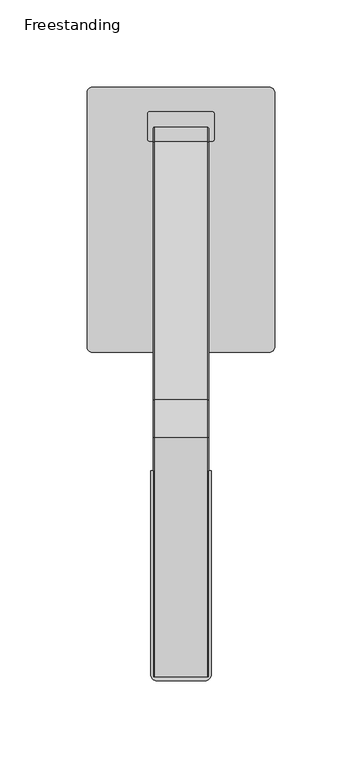
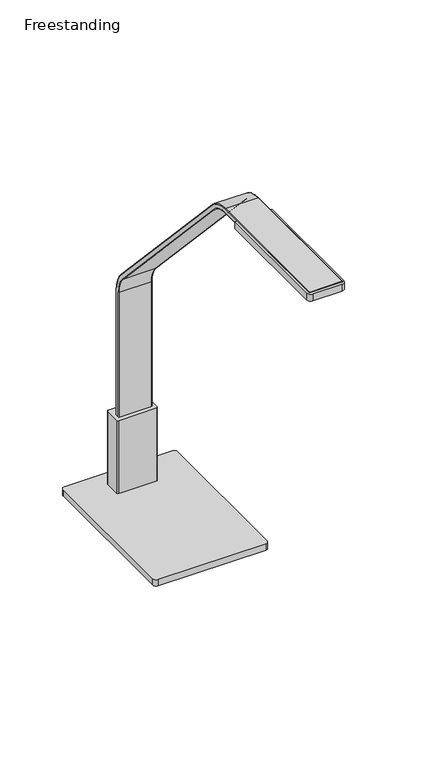
"""IFC4 building model written with IfcOpenShell, lengths in millimetres: furniture geometry, Freestanding."""

from ifc_helpers import new_model, si_unit, point, frame, frame_2d, origin, place, context, project, spatial, polyline, circle_curve, ellipse_curve, trimmed, segment, composite_curve, outline, extrude, source, transform, mapped, element, save
from ifc_brep_helpers import plane_surface, cylinder_surface, revolved_surface, advanced_brep


def freestanding_bec42570(model_context):
    return source(origin(), model_context, "Body", "SolidModel", [
        extrude(outline(composite_curve([segment(trimmed(circle_curve(frame_2d((-41.2113861, 31.553418)), 6.35), [point((-47.5613861, 31.553418))], [point((-34.8613861, 31.553418))], False, "CARTESIAN"), True, "CONTINUOUS"), segment(trimmed(circle_curve(frame_2d((-41.2113861, 31.553418)), 6.35), [point((-34.8613861, 31.553418))], [point((-47.5613861, 31.553418))], False, "CARTESIAN"), True, "CONTINUOUS")], self_intersect=False)), frame((0.0, 0.0, 723.9), z_axis=(0.0, 0.0, 1.0), x_axis=(1.0, 0.0, 0.0)), (0.0, 0.0, 1.0), 4.7497828),
        extrude(outline(composite_curve([segment(trimmed(circle_curve(frame_2d((41.2113861, 31.553418)), 6.35), [point((47.5613861, 31.553418))], [point((34.8613861, 31.553418))], False, "CARTESIAN"), True, "CONTINUOUS"), segment(trimmed(circle_curve(frame_2d((41.2113861, 31.553418)), 6.35), [point((34.8613861, 31.553418))], [point((47.5613861, 31.553418))], False, "CARTESIAN"), True, "CONTINUOUS")], self_intersect=False)), frame((0.0, 0.0, 723.9), z_axis=(0.0, 0.0, 1.0), x_axis=(1.0, 0.0, 0.0)), (0.0, 0.0, 1.0), 4.7497828),
        extrude(outline(composite_curve([segment(trimmed(circle_curve(frame_2d((-41.2113861, -94.7478165)), 6.35), [point((-47.5613861, -94.7478165))], [point((-34.8613861, -94.7478165))], False, "CARTESIAN"), True, "CONTINUOUS"), segment(trimmed(circle_curve(frame_2d((-41.2113861, -94.7478165)), 6.35), [point((-34.8613861, -94.7478165))], [point((-47.5613861, -94.7478165))], False, "CARTESIAN"), True, "CONTINUOUS")], self_intersect=False)), frame((0.0, 0.0, 723.9), z_axis=(0.0, 0.0, 1.0), x_axis=(1.0, 0.0, 0.0)), (0.0, 0.0, 1.0), 4.7497828),
        extrude(outline(composite_curve([segment(trimmed(circle_curve(frame_2d((41.2113861, -94.7478165)), 6.35), [point((47.5613861, -94.7478165))], [point((34.8613861, -94.7478165))], False, "CARTESIAN"), True, "CONTINUOUS"), segment(trimmed(circle_curve(frame_2d((41.2113861, -94.7478165)), 6.35), [point((34.8613861, -94.7478165))], [point((47.5613861, -94.7478165))], False, "CARTESIAN"), True, "CONTINUOUS")], self_intersect=False)), frame((0.0, 0.0, 723.9), z_axis=(0.0, 0.0, 1.0), x_axis=(1.0, 0.0, 0.0)), (0.0, 0.0, 1.0), 4.7497828),
        extrude(outline(composite_curve([segment(polyline([(-53.9751938, -104.6222477), (-53.9751938, 41.4278492)]), True, "CONTINUOUS"), segment(trimmed(circle_curve(frame_2d((-50.8000969, 41.4278492)), 3.1750969), [point((-53.9751938, 41.4278492))], [point((-50.8000969, 44.6029461))], False, "CARTESIAN"), True, "CONTINUOUS"), segment(polyline([(-50.8000969, 44.6029461), (50.7995155, 44.6029461)]), True, "CONTINUOUS"), segment(trimmed(circle_curve(frame_2d((50.7995155, 41.4278492)), 3.1750969), [point((50.7995155, 44.6029461))], [point((53.9746124, 41.4278492))], False, "CARTESIAN"), True, "CONTINUOUS"), segment(polyline([(53.9746124, 41.4278492), (53.9746124, -104.6222477)]), True, "CONTINUOUS"), segment(trimmed(circle_curve(frame_2d((50.7998062, -104.6222477)), 3.1748062), [point((53.9746124, -104.6222477))], [point((50.7998062, -107.7970539))], False, "CARTESIAN"), True, "CONTINUOUS"), segment(polyline([(50.7998062, -107.7970539), (-50.8003876, -107.7970539)]), True, "CONTINUOUS"), segment(trimmed(circle_curve(frame_2d((-50.8003876, -104.6222477)), 3.1748062), [point((-50.8003876, -107.7970539))], [point((-53.9751938, -104.6222477))], False, "CARTESIAN"), True, "CONTINUOUS")], self_intersect=False)), frame((0.0, 0.0, 728.6497828), z_axis=(0.0, 0.0, 1.0), x_axis=(1.0, 0.0, 0.0)), (0.0, 0.0, 1.0), 6.3500484),
        extrude(outline(composite_curve([segment(trimmed(circle_curve(frame_2d((18.034, 29.4391905)), 1.016), [point((18.034, 30.4551905))], [point((19.05, 29.4391905))], False, "CARTESIAN"), True, "CONTINUOUS"), segment(polyline([(19.05, 29.4391905), (19.05, 14.5802157)]), True, "CONTINUOUS"), segment(trimmed(circle_curve(frame_2d((18.034, 14.5802157)), 1.016), [point((19.05, 14.5802157))], [point((18.034, 13.5642157))], False, "CARTESIAN"), True, "CONTINUOUS"), segment(polyline([(18.034, 13.5642157), (-18.034, 13.5642157)]), True, "CONTINUOUS"), segment(trimmed(circle_curve(frame_2d((-18.034, 14.5802157)), 1.016), [point((-18.034, 13.5642157))], [point((-19.05, 14.5802157))], False, "CARTESIAN"), True, "CONTINUOUS"), segment(polyline([(-19.05, 14.5802157), (-19.05, 29.4391905)]), True, "CONTINUOUS"), segment(trimmed(circle_curve(frame_2d((-18.034, 29.4391905)), 1.016), [point((-19.05, 29.4391905))], [point((-18.034, 30.4551905))], False, "CARTESIAN"), True, "CONTINUOUS"), segment(polyline([(-18.034, 30.4551905), (18.034, 30.4551905)]), True, "CONTINUOUS")], self_intersect=False)), frame((0.0, 0.0, 734.9998312), z_axis=(0.0, 0.0, 1.0), x_axis=(1.0, 0.0, 0.0)), (0.0, 0.0, 1.0), 73.0249688),
        extrude(outline(composite_curve([segment(polyline([(17.4750961, -176.0056678), (17.4750961, -292.8456678)]), True, "CONTINUOUS"), segment(trimmed(circle_curve(frame_2d((13.6650961, -292.8456678)), 3.81), [point((17.4750961, -292.8456678))], [point((13.6650961, -296.6556678))], False, "CARTESIAN"), True, "CONTINUOUS"), segment(polyline([(13.6650961, -296.6556678), (-13.6525, -296.6556678)]), True, "CONTINUOUS"), segment(trimmed(circle_curve(frame_2d((-13.6525, -292.8456678)), 3.81), [point((-13.6525, -296.6556678))], [point((-17.4625, -292.8456678))], False, "CARTESIAN"), True, "CONTINUOUS"), segment(polyline([(-17.4625, -292.8456678), (-17.4625, -176.0056678), (17.4750961, -176.0056678)]), True, "CONTINUOUS")], self_intersect=False)), frame((0.0, 0.0, 1113.9423787), z_axis=(0.0, 0.0, 1.0), x_axis=(1.0, 0.0, 0.0)), (0.0, 0.0, 1.0), 6.858),
        advanced_brep(
        [(-15.113, 21.5351681, 740.8420386), (15.113, 21.5351681, 740.8420386), (15.875, 20.7731681, 740.8420386), (15.875, 17.7251361, 740.8420386), (15.113, 16.9631361, 740.8420386), (-15.113, 16.9631361, 740.8420386), (-15.875, 17.7251361, 740.8420386), (-15.875, 20.7731681, 740.8420386), (-15.113, 21.5351681, 932.6306879), (15.113, 21.5351681, 932.6306879), (15.875, 20.7731681, 932.6306879), (15.875, 12.9261453, 952.5517272), (15.875, -135.4226637, 1111.6386569), (15.875, -156.7856729, 1120.9276496), (15.875, -294.313864, 1120.9276496), (15.875, -294.313864, 1117.8796176), (15.875, -156.7856729, 1117.8796176), (15.875, -137.6518682, 1109.5599202), (15.875, 10.6969408, 950.4729905), (15.875, 17.7251361, 932.6306879), (15.113, 16.9631361, 932.6306879), (-15.113, 16.9631361, 932.6306879), (-15.875, 17.7251361, 932.6306879), (-15.875, 10.6969408, 950.4729905), (-15.875, -137.6518682, 1109.5599202), (-15.875, -156.7856729, 1117.8796176), (-15.875, -294.313864, 1117.8796176), (-15.875, -294.313864, 1120.9276496), (-15.875, -156.7856729, 1120.9276496), (-15.875, -135.4226637, 1111.6386569), (-15.875, 12.9261453, 952.5517272), (-15.875, 20.7731681, 932.6306879), (15.113, 13.4834406, 953.0714059), (-15.113, 13.4834406, 953.0714059), (15.113, 10.1396455, 949.9533118), (-15.113, 10.1396455, 949.9533118), (-15.113, -134.8653684, 1112.1583356), (15.113, -134.8653684, 1112.1583356), (15.113, -138.2091635, 1109.0402415), (-15.113, -138.2091635, 1109.0402415), (15.113, -156.7856729, 1121.6896496), (-15.113, -156.7856729, 1121.6896496), (15.113, -156.7856729, 1117.1176176), (-15.113, -156.7856729, 1117.1176176), (-15.113, -294.313864, 1121.6896496), (-15.113, -294.313864, 1117.1176176), (15.113, -294.313864, 1117.1176176), (15.113, -294.313864, 1121.6896496)],
        [
            (0, 1),
            (1, 2, circle_curve(frame((15.113, 20.7731681, 740.8420386), z_axis=(0.0, 0.0, -1.0), x_axis=(0.0, -1.0, 0.0)), 0.762)),
            (2, 3),
            (3, 4, circle_curve(frame((15.113, 17.7251361, 740.8420386), z_axis=(0.0, 0.0, -1.0), x_axis=(0.0, -1.0, 0.0)), 0.762)),
            (4, 5),
            (5, 6, circle_curve(frame((-15.113, 17.7251361, 740.8420386), z_axis=(0.0, 0.0, -1.0), x_axis=(0.0, -1.0, 0.0)), 0.762)),
            (6, 7),
            (7, 0, circle_curve(frame((-15.113, 20.7731681, 740.8420386), z_axis=(0.0, 0.0, -1.0), x_axis=(0.0, -1.0, 0.0)), 0.762)),
            (0, 8),
            (8, 9),
            (9, 1),
            (9, 10, circle_curve(frame((15.113, 20.7731681, 932.6306879), z_axis=(0.0, 0.0, -1.0), x_axis=(0.0, -1.0, 0.0)), 0.762)),
            (10, 2),
            (10, 11, circle_curve(frame((15.875, -8.4368639, 932.6306879), z_axis=(1.0, 0.0, 0.0), x_axis=(0.0, 1.0, 0.0)), 29.210032)),
            (11, 12),
            (12, 13, circle_curve(frame((15.875, -156.7856729, 1091.7176176), z_axis=(1.0, 0.0, 0.0), x_axis=(0.0, 0.7313586383957666, 0.6819930659793325)), 29.210032)),
            (13, 14),
            (14, 15),
            (15, 16),
            (16, 17, circle_curve(frame((15.875, -156.7856729, 1091.7176176), z_axis=(-1.0, 0.0, 0.0), x_axis=(0.0, 0.7313586383957666, 0.6819930659793325)), 26.162)),
            (17, 18),
            (18, 19, circle_curve(frame((15.875, -8.4368639, 932.6306879), z_axis=(-1.0, 0.0, 0.0), x_axis=(0.0, 1.0, 0.0)), 26.162)),
            (19, 3),
            (19, 20, circle_curve(frame((15.113, 17.7251361, 932.6306879), z_axis=(0.0, 0.0, -1.0), x_axis=(0.0, -1.0, 0.0)), 0.762)),
            (20, 4),
            (20, 21),
            (21, 5),
            (21, 22, circle_curve(frame((-15.113, 17.7251361, 932.6306879), z_axis=(0.0, 0.0, -1.0), x_axis=(0.0, -1.0, 0.0)), 0.762)),
            (22, 6),
            (22, 23, circle_curve(frame((-15.875, -8.4368639, 932.6306879), z_axis=(1.0, 0.0, 0.0), x_axis=(0.0, 1.0, 0.0)), 26.162)),
            (23, 24),
            (24, 25, circle_curve(frame((-15.875, -156.7856729, 1091.7176176), z_axis=(1.0, 0.0, 0.0), x_axis=(0.0, 0.7313586383957666, 0.6819930659793325)), 26.162)),
            (25, 26),
            (26, 27),
            (27, 28),
            (28, 29, circle_curve(frame((-15.875, -156.7856729, 1091.7176176), z_axis=(-1.0, 0.0, 0.0), x_axis=(0.0, 0.7313586383957666, 0.6819930659793325)), 29.210032)),
            (29, 30),
            (30, 31, circle_curve(frame((-15.875, -8.4368639, 932.6306879), z_axis=(-1.0, 0.0, 0.0), x_axis=(0.0, 1.0, 0.0)), 29.210032)),
            (31, 7),
            (31, 8, circle_curve(frame((-15.113, 20.7731681, 932.6306879), z_axis=(0.0, 0.0, -1.0), x_axis=(0.0, -1.0, 0.0)), 0.762)),
            (32, 9, circle_curve(frame((15.113, -8.4368639, 932.6306879), z_axis=(-1.0, 0.0, 0.0), x_axis=(0.0, 1.0, 0.0)), 29.972032)),
            (8, 33, circle_curve(frame((-15.113, -8.4368639, 932.6306879), z_axis=(1.0, 0.0, 0.0), x_axis=(0.0, 1.0, 0.0)), 29.972032)),
            (33, 32),
            (32, 11, circle_curve(frame((15.113, 12.9261453, 952.5517272), z_axis=(0.0, 0.6819930659793713, -0.7313586383957306), x_axis=(0.0, -0.7313586383957306, -0.6819930659793713)), 0.762)),
            (34, 20, circle_curve(frame((15.113, -8.4368639, 932.6306879), z_axis=(-1.0, 0.0, 0.0), x_axis=(0.0, 1.0, 0.0)), 25.4)),
            (18, 34, circle_curve(frame((15.113, 10.6969408, 950.4729905), z_axis=(0.0, 0.6819930659793713, -0.7313586383957306), x_axis=(0.0, -0.7313586383957306, -0.6819930659793713)), 0.762)),
            (35, 21, circle_curve(frame((-15.113, -8.4368639, 932.6306879), z_axis=(-1.0, 0.0, 0.0), x_axis=(0.0, 1.0, 0.0)), 25.4)),
            (34, 35),
            (35, 23, circle_curve(frame((-15.113, 10.6969408, 950.4729905), z_axis=(0.0, 0.6819930659793686, -0.731358638395733), x_axis=(0.0, -0.731358638395733, -0.6819930659793686)), 0.762)),
            (30, 33, circle_curve(frame((-15.113, 12.9261453, 952.5517272), z_axis=(0.0, 0.6819930659793715, -0.7313586383957303), x_axis=(0.0, -0.7313586383957303, -0.6819930659793715)), 0.762)),
            (33, 36),
            (36, 37),
            (37, 32),
            (37, 12, circle_curve(frame((15.113, -135.4226637, 1111.6386569), z_axis=(0.0, 0.6819930659793657, -0.7313586383957357), x_axis=(0.0, -0.7313586383957357, -0.6819930659793657)), 0.762)),
            (17, 38, circle_curve(frame((15.113, -137.6518682, 1109.5599202), z_axis=(0.0, 0.6819930659793657, -0.7313586383957357), x_axis=(0.0, -0.7313586383957357, -0.6819930659793657)), 0.762)),
            (38, 34),
            (38, 39),
            (39, 35),
            (39, 24, circle_curve(frame((-15.113, -137.6518682, 1109.5599202), z_axis=(0.0, 0.6819930659793657, -0.7313586383957357), x_axis=(0.0, -0.7313586383957357, -0.6819930659793657)), 0.762)),
            (29, 36, circle_curve(frame((-15.113, -135.4226637, 1111.6386569), z_axis=(0.0, 0.6819930659793657, -0.7313586383957357), x_axis=(0.0, -0.7313586383957357, -0.6819930659793657)), 0.762)),
            (40, 37, circle_curve(frame((15.113, -156.7856729, 1091.7176176), z_axis=(-1.0, 0.0, 0.0), x_axis=(0.0, 0.7313586383957666, 0.6819930659793325)), 29.972032)),
            (36, 41, circle_curve(frame((-15.113, -156.7856729, 1091.7176176), z_axis=(1.0, 0.0, 0.0), x_axis=(0.0, 0.7313586383957666, 0.6819930659793325)), 29.972032)),
            (41, 40),
            (40, 13, circle_curve(frame((15.113, -156.7856729, 1120.9276496), z_axis=(0.0, 1.0, 0.0), x_axis=(0.0, 0.0, -1.0)), 0.762)),
            (42, 38, circle_curve(frame((15.113, -156.7856729, 1091.7176176), z_axis=(-1.0, 0.0, 0.0), x_axis=(0.0, 0.7313586383957666, 0.6819930659793325)), 25.4)),
            (16, 42, circle_curve(frame((15.113, -156.7856729, 1117.8796176), z_axis=(0.0, 1.0, 0.0), x_axis=(0.0, 0.0, -1.0)), 0.762)),
            (43, 39, circle_curve(frame((-15.113, -156.7856729, 1091.7176176), z_axis=(-1.0, 0.0, 0.0), x_axis=(0.0, 0.7313586383957666, 0.6819930659793325)), 25.4)),
            (42, 43),
            (43, 25, circle_curve(frame((-15.113, -156.7856729, 1117.8796176), z_axis=(0.0, 1.0, 0.0), x_axis=(0.0, 0.0, -1.0)), 0.762)),
            (28, 41, circle_curve(frame((-15.113, -156.7856729, 1120.9276496), z_axis=(0.0, 1.0, 0.0), x_axis=(0.0, 0.0, -1.0)), 0.762)),
            (44, 27, circle_curve(frame((-15.113, -294.313864, 1120.9276496), z_axis=(0.0, -1.0, 0.0), x_axis=(0.0, 0.0, -1.0)), 0.762)),
            (26, 45, circle_curve(frame((-15.113, -294.313864, 1117.8796176), z_axis=(0.0, -1.0, 0.0), x_axis=(0.0, 0.0, -1.0)), 0.762)),
            (45, 46),
            (46, 15, circle_curve(frame((15.113, -294.313864, 1117.8796176), z_axis=(0.0, -1.0, 0.0), x_axis=(0.0, 0.0, -1.0)), 0.762)),
            (14, 47, circle_curve(frame((15.113, -294.313864, 1120.9276496), z_axis=(0.0, -1.0, 0.0), x_axis=(0.0, 0.0, -1.0)), 0.762)),
            (47, 44),
            (41, 44),
            (47, 40),
            (46, 42),
            (45, 43),
        ],
        [
            plane_surface(frame((0.0, 16.9631361, 740.8420386), z_axis=(0.0, 0.0, -1.0), x_axis=(1.0, 0.0, 0.0))),
            plane_surface(frame((-15.113, 21.5351681, 740.8420386), z_axis=(0.0, 1.0, 0.0), x_axis=(0.0, 0.0, 1.0))),
            cylinder_surface(frame((15.113, 20.7731681, 740.8420386), z_axis=(0.0, 0.0, -1.0), x_axis=(0.0, -1.0, 0.0)), 0.762),
            plane_surface(frame((15.875, 20.7731681, 740.8420386), z_axis=(1.0, 0.0, 0.0), x_axis=(0.0, 0.0, 1.0))),
            cylinder_surface(frame((15.113, 17.7251361, 740.8420386), z_axis=(0.0, 0.0, -1.0), x_axis=(0.0, -1.0, 0.0)), 0.762),
            plane_surface(frame((15.113, 16.9631361, 740.8420386), z_axis=(0.0, -1.0, 0.0), x_axis=(0.0, 0.0, 1.0))),
            cylinder_surface(frame((-15.113, 17.7251361, 740.8420386), z_axis=(0.0, 0.0, -1.0), x_axis=(0.0, -1.0, 0.0)), 0.762),
            plane_surface(frame((-15.875, 17.7251361, 740.8420386), z_axis=(-1.0, 0.0, 0.0), x_axis=(0.0, 0.0, 1.0))),
            cylinder_surface(frame((-15.113, 20.7731681, 740.8420386), z_axis=(0.0, 0.0, -1.0), x_axis=(0.0, -1.0, 0.0)), 0.762),
            cylinder_surface(frame((0.0, -8.4368639, 932.6306879), z_axis=(1.0, 0.0, 0.0), x_axis=(0.0, 1.0, 0.0)), 29.972032),
            revolved_surface(trimmed(ellipse_curve(frame((15.113, 20.7731681, 932.6306879), z_axis=(0.0, 0.0, -1.0), x_axis=(0.0, -1.0, 0.0)), 0.762, 0.762), [point((15.113, 21.5351681, 932.6306879))], [point((15.875, 20.7731681, 932.6306879))], True, "CARTESIAN"), (0.0, -8.4368639, 932.6306879), (1.0, 0.0, 0.0)),
            revolved_surface(trimmed(ellipse_curve(frame((15.113, 17.7251361, 932.6306879), z_axis=(0.0, 0.0, -1.0), x_axis=(0.0, -1.0, 0.0)), 0.762, 0.762), [point((15.875, 17.7251361, 932.6306879))], [point((15.113, 16.9631361, 932.6306879))], True, "CARTESIAN"), (0.0, -8.4368639, 932.6306879), (1.0, 0.0, 0.0)),
            revolved_surface(polyline([(15.113, 16.9631361, 932.6306879), (-15.113, 16.9631361, 932.6306879)]), (0.0, -8.4368639, 932.6306879), (1.0, 0.0, 0.0)),
            revolved_surface(trimmed(ellipse_curve(frame((-15.113, 17.7251361, 932.6306879), z_axis=(0.0, 0.0, -1.0), x_axis=(0.0, -1.0, 0.0)), 0.762, 0.762), [point((-15.113, 16.9631361, 932.6306879))], [point((-15.875, 17.7251361, 932.6306879))], True, "CARTESIAN"), (0.0, -8.4368639, 932.6306879), (1.0, 0.0, 0.0)),
            revolved_surface(trimmed(ellipse_curve(frame((-15.113, 20.7731681, 932.6306879), z_axis=(0.0, 0.0, -1.0), x_axis=(0.0, -1.0, 0.0)), 0.762, 0.762), [point((-15.875, 20.7731681, 932.6306879))], [point((-15.113, 21.5351681, 932.6306879))], True, "CARTESIAN"), (0.0, -8.4368639, 932.6306879), (1.0, 0.0, 0.0)),
            plane_surface(frame((-15.113, 13.4834406, 953.0714059), z_axis=(0.0, 0.7313586383957357, 0.6819930659793657), x_axis=(0.0, -0.6819930659793657, 0.7313586383957357))),
            cylinder_surface(frame((15.113, 12.9261453, 952.5517272), z_axis=(0.0, 0.6819930659793657, -0.7313586383957357), x_axis=(0.0, -0.7313586383957357, -0.6819930659793657)), 0.762),
            cylinder_surface(frame((15.113, 10.6969408, 950.4729905), z_axis=(0.0, 0.6819930659793657, -0.7313586383957357), x_axis=(0.0, -0.7313586383957357, -0.6819930659793657)), 0.762),
            plane_surface(frame((15.113, 10.1396455, 949.9533118), z_axis=(0.0, -0.731358638395736, -0.6819930659793655), x_axis=(0.0, -0.6819930659793655, 0.731358638395736))),
            cylinder_surface(frame((-15.113, 10.6969408, 950.4729905), z_axis=(0.0, 0.6819930659793657, -0.7313586383957357), x_axis=(0.0, -0.7313586383957357, -0.6819930659793657)), 0.762),
            cylinder_surface(frame((-15.113, 12.9261453, 952.5517272), z_axis=(0.0, 0.6819930659793657, -0.7313586383957357), x_axis=(0.0, -0.7313586383957357, -0.6819930659793657)), 0.762),
            cylinder_surface(frame((0.0, -156.7856729, 1091.7176176), z_axis=(1.0, 0.0, 0.0), x_axis=(0.0, 0.7313586383957666, 0.6819930659793325)), 29.972032),
            revolved_surface(trimmed(ellipse_curve(frame((15.113, -135.4226637, 1111.6386569), z_axis=(0.0, 0.6819930659793326, -0.7313586383957665), x_axis=(0.0, -0.7313586383957665, -0.6819930659793326)), 0.762, 0.762), [point((15.113, -134.8653684, 1112.1583356))], [point((15.875, -135.4226637, 1111.6386569))], True, "CARTESIAN"), (0.0, -156.7856729, 1091.7176176), (1.0, 0.0, 0.0)),
            revolved_surface(trimmed(ellipse_curve(frame((15.113, -137.6518682, 1109.5599202), z_axis=(0.0, 0.6819930659793326, -0.7313586383957665), x_axis=(0.0, -0.7313586383957665, -0.6819930659793326)), 0.762, 0.762), [point((15.875, -137.6518682, 1109.5599202))], [point((15.113, -138.2091635, 1109.0402415))], True, "CARTESIAN"), (0.0, -156.7856729, 1091.7176176), (1.0, 0.0, 0.0)),
            revolved_surface(polyline([(15.113, -138.20916348474753, 1109.040241475875), (-15.113, -138.20916348474753, 1109.040241475875)]), (0.0, -156.7856729, 1091.7176176), (1.0, 0.0, 0.0)),
            revolved_surface(trimmed(ellipse_curve(frame((-15.113, -137.6518682, 1109.5599202), z_axis=(0.0, 0.6819930659793326, -0.7313586383957665), x_axis=(0.0, -0.7313586383957665, -0.6819930659793326)), 0.762, 0.762), [point((-15.113, -138.2091635, 1109.0402415))], [point((-15.875, -137.6518682, 1109.5599202))], True, "CARTESIAN"), (0.0, -156.7856729, 1091.7176176), (1.0, 0.0, 0.0)),
            revolved_surface(trimmed(ellipse_curve(frame((-15.113, -135.4226637, 1111.6386569), z_axis=(0.0, 0.6819930659793326, -0.7313586383957665), x_axis=(0.0, -0.7313586383957665, -0.6819930659793326)), 0.762, 0.762), [point((-15.875, -135.4226637, 1111.6386569))], [point((-15.113, -134.8653684, 1112.1583356))], True, "CARTESIAN"), (0.0, -156.7856729, 1091.7176176), (1.0, 0.0, 0.0)),
            plane_surface(frame((0.0, -294.313864, 1117.1176176), z_axis=(0.0, -1.0, 0.0), x_axis=(1.0, 0.0, 0.0))),
            plane_surface(frame((-15.113, -156.7856729, 1121.6896496), z_axis=(0.0, 0.0, 1.0), x_axis=(0.0, -1.0, 0.0))),
            cylinder_surface(frame((15.113, -156.7856729, 1120.9276496), z_axis=(0.0, 1.0, 0.0), x_axis=(0.0, 0.0, -1.0)), 0.762),
            cylinder_surface(frame((15.113, -156.7856729, 1117.8796176), z_axis=(0.0, 1.0, 0.0), x_axis=(0.0, 0.0, -1.0)), 0.762),
            plane_surface(frame((15.113, -156.7856729, 1117.1176176), z_axis=(0.0, 0.0, -1.0), x_axis=(0.0, -1.0, 0.0))),
            cylinder_surface(frame((-15.113, -156.7856729, 1117.8796176), z_axis=(0.0, 1.0, 0.0), x_axis=(0.0, 0.0, -1.0)), 0.762),
            cylinder_surface(frame((-15.113, -156.7856729, 1120.9276496), z_axis=(0.0, 1.0, 0.0), x_axis=(0.0, 0.0, -1.0)), 0.762),
        ],
        [
            (0, [[1, 2, 3, 4, 5, 6, 7, 8]]),
            (1, [[-1, 9, 10, 11]]),
            (2, [[-2, -11, 12, 13]]),
            (3, [[-3, -13, 14, 15, 16, 17, 18, 19, 20, 21, 22, 23]]),
            (4, [[-4, -23, 24, 25]]),
            (5, [[-5, -25, 26, 27]]),
            (6, [[-6, -27, 28, 29]]),
            (7, [[-7, -29, 30, 31, 32, 33, 34, 35, 36, 37, 38, 39]]),
            (8, [[-8, -39, 40, -9]]),
            (9, [[41, -10, 42, 43]]),
            (10, [[-14, -12, -41, 44]]),
            (11, [[45, -24, -22, 46]]),
            (12, [[47, -26, -45, 48]]),
            (13, [[-30, -28, -47, 49]]),
            (14, [[-42, -40, -38, 50]]),
            (15, [[-43, 51, 52, 53]]),
            (16, [[-44, -53, 54, -15]]),
            (17, [[-46, -21, 55, 56]]),
            (18, [[-48, -56, 57, 58]]),
            (19, [[-49, -58, 59, -31]]),
            (20, [[-50, -37, 60, -51]]),
            (21, [[61, -52, 62, 63]]),
            (22, [[-16, -54, -61, 64]]),
            (23, [[65, -55, -20, 66]]),
            (24, [[67, -57, -65, 68]]),
            (25, [[-32, -59, -67, 69]]),
            (26, [[-62, -60, -36, 70]]),
            (27, [[71, -34, 72, 73, 74, -18, 75, 76]]),
            (28, [[-63, 77, -76, 78]]),
            (29, [[-64, -78, -75, -17]]),
            (30, [[-66, -19, -74, 79]]),
            (31, [[-68, -79, -73, 80]]),
            (32, [[-69, -80, -72, -33]]),
            (33, [[-70, -35, -71, -77]]),
        ],
    ),
    ])


if __name__ == "__main__":
    model = new_model("IFC4")
    model_context = context("Model", 3, world=origin())
    ifc_project = project(units=[si_unit("LENGTHUNIT", "METRE", prefix="MILLI")], contexts=[model_context])
    site = spatial("IfcSite", under=ifc_project)
    building = spatial("IfcBuilding", under=site)
    placement = place(None, origin())
    freestanding_shape = freestanding_bec42570(model_context)
    element("IfcFurniture", 1, ObjectType="Freestanding", at=placement, inside=building, context=model_context, shape_type="MappedRepresentation", body=[
        mapped(freestanding_shape, transform((0.0, 0.0, 0.0), x_axis=(1.0, 0.0, 0.0), y_axis=(0.0, 1.0, 0.0), z_axis=(0.0, 0.0, 1.0))),
    ])
    save(model, "model.ifc")
